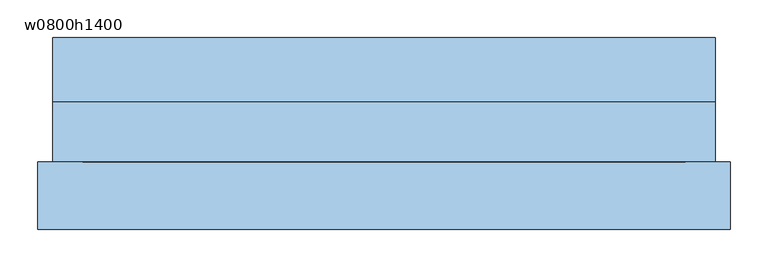
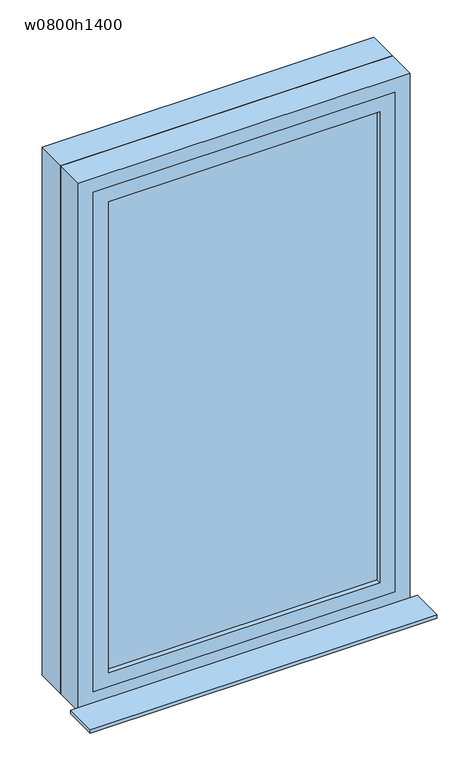
"""IFC4 building model written with IfcOpenShell, lengths in millimetres: window geometry, w0800h1400."""

from ifc_helpers import new_model, si_unit, frame, origin, place, context, project, spatial, polyline, outline, extrude, source, transform, mapped, element, save


def w0800h1400_b522b729(model_context):
    return source(origin(), model_context, "Body", "SweptSolid", [
        extrude(outline(polyline([(360.0, -22.5), (360.0, -27.5), (-360.0, -27.5), (-360.0, -22.5), (360.0, -22.5)])), frame((0.0, 0.0, 1240.0), z_axis=(0.0, 0.0, 1.0), x_axis=(1.0, 0.0, 0.0)), (0.0, 0.0, 1.0), 1320.0),
        extrude(outline(polyline([(2600.0, 400.0), (2600.0, -400.0), (1200.0, -400.0), (1200.0, 400.0), (2600.0, 400.0)]), holes=[polyline([(2560.0, -360.0), (2560.0, 360.0), (1240.0, 360.0), (1240.0, -360.0), (2560.0, -360.0)])]), frame((0.0, -40.0, 0.0), z_axis=(0.0, 1.0, 0.0), x_axis=(0.0, 0.0, 1.0)), (0.0, 0.0, 1.0), 30.0),
        extrude(outline(polyline([(460.0, -130.0), (-460.0, -130.0), (-460.0, -40.0), (460.0, -40.0), (460.0, -130.0)])), frame((0.0, 0.0, 1160.0), z_axis=(0.0, 0.0, 1.0), x_axis=(1.0, 0.0, 0.0)), (0.0, 0.0, 1.0), 10.0),
        extrude(outline(polyline([(2640.0, 440.0), (2640.0, -440.0), (1160.0, -440.0), (1160.0, 440.0), (2640.0, 440.0)]), holes=[polyline([(1180.0, -420.0), (2620.0, -420.0), (2620.0, 420.0), (1180.0, 420.0), (1180.0, -420.0)])]), frame((0.0, 40.0, 0.0), z_axis=(0.0, 1.0, 0.0), x_axis=(0.0, 0.0, 1.0)), (0.0, 0.0, 1.0), 85.0),
        extrude(outline(polyline([(2640.0, -440.0), (1160.0, -440.0), (1160.0, 440.0), (2640.0, 440.0), (2640.0, -440.0)]), holes=[polyline([(2600.0, 400.0), (1200.0, 400.0), (1200.0, -400.0), (2600.0, -400.0), (2600.0, 400.0)])]), frame((0.0, -40.0, 0.0), z_axis=(0.0, 1.0, 0.0), x_axis=(0.0, 0.0, 1.0)), (0.0, 0.0, 1.0), 80.0),
    ])


if __name__ == "__main__":
    model = new_model("IFC4")
    model_context = context("Model", 3, world=origin())
    ifc_project = project(units=[si_unit("LENGTHUNIT", "METRE", prefix="MILLI")], contexts=[model_context])
    site = spatial("IfcSite", under=ifc_project)
    building = spatial("IfcBuilding", under=site)
    placement = place(None, origin())
    w0800h1400_shape = w0800h1400_b522b729(model_context)
    element("IfcWindow", 1, ObjectType="w0800h1400", at=placement, inside=building, context=model_context, shape_type="MappedRepresentation", body=[
        mapped(w0800h1400_shape, transform((0.0, 0.0, 0.0), x_axis=(1.0, 0.0, 0.0), y_axis=(0.0, 1.0, 0.0), z_axis=(0.0, 0.0, 1.0))),
    ])
    save(model, "model.ifc")
